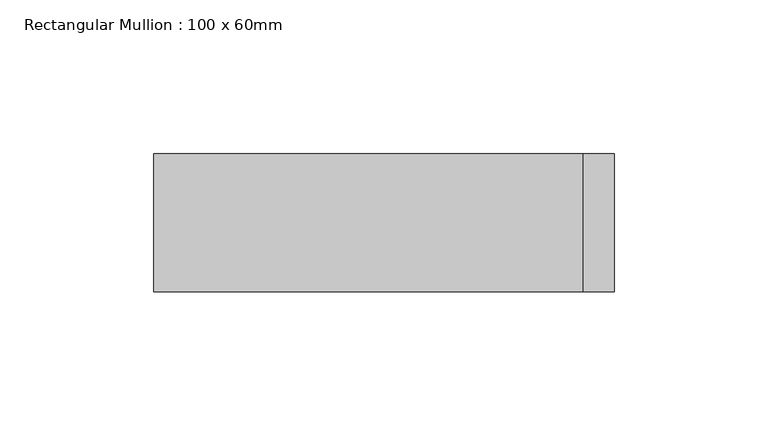
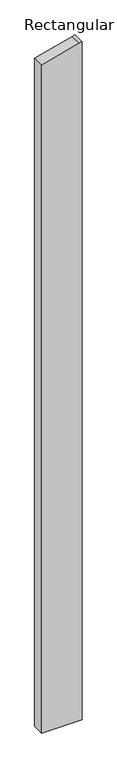
"""IFC4 building model written with IfcOpenShell, lengths in millimetres: member geometry, Rectangular Mullion : 100 x 60mm."""

from ifc_helpers import new_model, si_unit, frame, origin, place, context, project, spatial, polyline, outline, extrude, source, transform, mapped, element, save


def rectangular_mullion_100_x_60mm_96dae635(model_context):
    return source(origin(), model_context, "Body", "SweptSolid", [
        extrude(outline(polyline([(-238.7228557, 75.0), (-241.4814566, 64.7047613), (-278.9152345, -75.0), (-2904.8346151, -75.0), (-2904.8346151, 75.0), (-238.7228557, 75.0)])), frame((0.0, -30.0, 0.0), z_axis=(0.0, 1.0, 0.0), x_axis=(0.0, 0.0, 1.0)), (0.0, 0.0, 1.0), 45.0),
    ])


if __name__ == "__main__":
    model = new_model("IFC4")
    model_context = context("Model", 3, world=origin())
    ifc_project = project(units=[si_unit("LENGTHUNIT", "METRE", prefix="MILLI")], contexts=[model_context])
    site = spatial("IfcSite", under=ifc_project)
    building = spatial("IfcBuilding", under=site)
    placement = place(None, origin())
    rectangular_mullion_100_x_60mm_shape = rectangular_mullion_100_x_60mm_96dae635(model_context)
    element("IfcMember", 1, ObjectType="Rectangular Mullion : 100 x 60mm", at=placement, inside=building, context=model_context, shape_type="MappedRepresentation", body=[
        mapped(rectangular_mullion_100_x_60mm_shape, transform((0.0, 0.0, 0.0), x_axis=(1.0, 0.0, 0.0), y_axis=(0.0, 1.0, 0.0), z_axis=(0.0, 0.0, 1.0))),
    ])
    save(model, "model.ifc")
